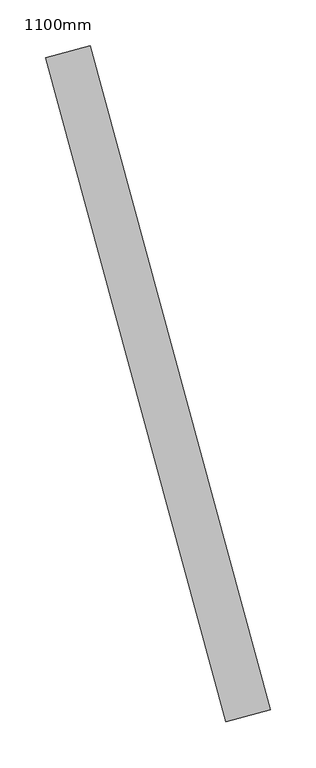
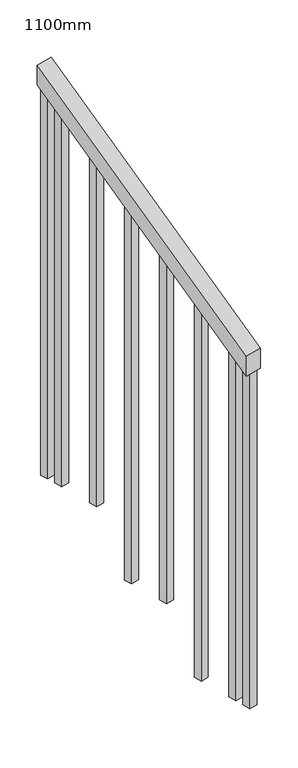
"""IFC4 building model written with IfcOpenShell, lengths in millimetres: railing geometry, 1100mm."""

from ifc_helpers import new_model, si_unit, frame, origin, place, context, project, spatial, polyline, outline, extrude, source, transform, mapped, element, save


def railing_1100mm_f3b828e1(model_context):
    return source(origin(), model_context, "Body", "SweptSolid", [
        extrude(outline(polyline([(-35.5555555, -50.0), (0.0, 0.0), (920.2958462, 0.0), (884.7402906, -50.0), (-35.5555555, -50.0)])), frame((214086.0351024, -68624.7058085, 1277.7777778), z_axis=(0.9649894123601837, 0.26228883703418915, 0.0), x_axis=(-0.2137536843159557, 0.7864232597553938, 0.5795237863600209)), (0.0, 0.0, 1.0), 50.0),
        extrude(outline(polyline([(1271.980277, -25.0), (108.8888889, -25.0), (91.1111112, 0.0), (1271.980277, 0.0), (1271.980277, -25.0)])), frame((213914.4952841, -67945.9346093, 1805.3136103), z_axis=(0.9649894123601837, 0.26228883703418915, 0.0), x_axis=(0.0, 0.0, -1.0)), (0.0, 0.0, 1.0), 25.0),
        extrude(outline(polyline([(1183.0913881, -25.0), (108.8888889, -25.0), (91.1111111, 0.0), (1183.0913881, 0.0), (1183.0913881, -25.0)])), frame((213947.2813887, -68066.5582859, 1716.4247214), z_axis=(0.9649894123601837, 0.26228883703418915, 0.0), x_axis=(0.0, 0.0, -1.0)), (0.0, 0.0, 1.0), 25.0),
        extrude(outline(polyline([(1271.9802769, -25.0), (108.8888889, -25.0), (91.1111111, 0.0), (1271.9802769, 0.0), (1271.9802769, -25.0)])), frame((213980.0674934, -68187.1819624, 1627.5358325), z_axis=(0.9649894123601837, 0.26228883703418915, 0.0), x_axis=(0.0, 0.0, -1.0)), (0.0, 0.0, 1.0), 25.0),
        extrude(outline(polyline([(1183.091388, -25.0), (108.8888889, -25.0), (91.1111111, 0.0), (1183.091388, 0.0), (1183.091388, -25.0)])), frame((214012.853598, -68307.805639, 1538.6469436), z_axis=(0.9649894123601837, 0.26228883703418915, 0.0), x_axis=(0.0, 0.0, -1.0)), (0.0, 0.0, 1.0), 25.0),
        extrude(outline(polyline([(1271.9802769, -25.0), (108.8888889, -25.0), (91.1111111, 0.0), (1271.9802769, 0.0), (1271.9802769, -25.0)])), frame((214045.6397026, -68428.4293155, 1449.7580547), z_axis=(0.9649894123601837, 0.26228883703418915, 0.0), x_axis=(0.0, 0.0, -1.0)), (0.0, 0.0, 1.0), 25.0),
        extrude(outline(polyline([(1183.091388, -25.0), (108.8888889, -25.0), (91.1111111, 0.0), (1183.091388, 0.0), (1183.091388, -25.0)])), frame((214078.4258072, -68549.0529921, 1360.8691658), z_axis=(0.9649894123601837, 0.26228883703418915, 0.0), x_axis=(0.0, 0.0, -1.0)), (0.0, 0.0, 1.0), 25.0),
        extrude(outline(polyline([(1307.5358325, -25.0), (108.8888889, -25.0), (91.1111111, 0.0), (1307.5358325, 0.0), (1307.5358325, -25.0)])), frame((213901.3808422, -67897.6851387, 1840.8691658), z_axis=(0.9649894123601837, 0.26228883703418915, 0.0), x_axis=(0.0, 0.0, -1.0)), (0.0, 0.0, 1.0), 25.0),
        extrude(outline(polyline([(1147.5358325, -25.0), (108.8888889, -25.0), (91.1111112, 0.0), (1147.5358325, 0.0), (1147.5358325, -25.0)])), frame((214091.5402491, -68597.3024627, 1325.3136103), z_axis=(0.9649894123601837, 0.26228883703418915, 0.0), x_axis=(0.0, 0.0, -1.0)), (0.0, 0.0, 1.0), 25.0),
    ])


if __name__ == "__main__":
    model = new_model("IFC4")
    model_context = context("Model", 3, world=origin())
    ifc_project = project(units=[si_unit("LENGTHUNIT", "METRE", prefix="MILLI")], contexts=[model_context])
    site = spatial("IfcSite", under=ifc_project)
    building = spatial("IfcBuilding", under=site)
    placement = place(None, origin())
    railing_1100mm_shape = railing_1100mm_f3b828e1(model_context)
    element("IfcRailing", 1, ObjectType="1100mm", at=placement, inside=building, context=model_context, shape_type="MappedRepresentation", body=[
        mapped(railing_1100mm_shape, transform((0.0, 0.0, 0.0), x_axis=(1.0, 0.0, 0.0), y_axis=(0.0, 1.0, 0.0), z_axis=(0.0, 0.0, 1.0))),
    ])
    save(model, "model.ifc")
